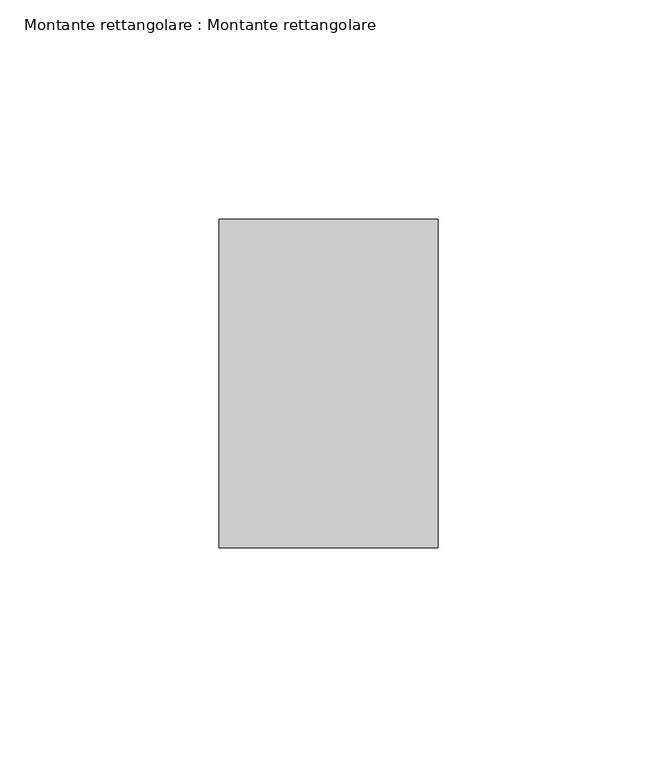
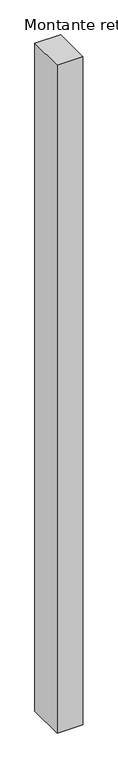
"""IFC4 building model written with IfcOpenShell, lengths in millimetres: member geometry, Montante rettangolare : Montante rettangolare."""

import ifcopenshell
import ifcopenshell.guid

model = None  # the IFC model being written
_history = None  # IfcOwnerHistory: only IFC2X3 demands one
_inside = {}  # id of a spatial element -> (the spatial element, [elements in it])
_under = {}  # id of a project, library or spatial element -> (it, [spatial elements below it])
_declared = {}  # id of a project -> (the project, [libraries it declares])
_typed = {}  # id of a type object -> (the type object, [elements of that type])
_made_of = {}  # id of a material, layer set ... -> (it, [elements and type objects made of it])


def new_model(schema):
    """Start an empty IFC model of exactly this schema.

    Asked for "IFC4X3", IfcOpenShell would pick the latest addendum, in which some entities
    have other attributes; the version numbers below select the first issue.
    IFC2X3 requires an IfcOwnerHistory on every rooted entity: one is made here for all.
    """
    global model, _history
    if schema == "IFC4X3":
        model = ifcopenshell.file(schema_version=(4, 3, 0, 0))
    else:
        model = ifcopenshell.file(schema=schema)
    _inside.clear()
    _under.clear()
    _declared.clear()
    _typed.clear()
    _made_of.clear()
    _history = None
    if model.schema == "IFC2X3":
        org = make("IfcOrganization", Name="unknown")
        user = make(
            "IfcPersonAndOrganization",
            ThePerson=make("IfcPerson", FamilyName="unknown"),
            TheOrganization=org,
        )
        app = make(
            "IfcApplication",
            ApplicationDeveloper=org,
            Version="unknown",
            ApplicationFullName="unknown",
            ApplicationIdentifier="unknown",
        )
        _history = make(
            "IfcOwnerHistory",
            OwningUser=user,
            OwningApplication=app,
            ChangeAction="ADDED",
            CreationDate=0,
        )
    return model


def make(cls, **values):
    """One entity of the class cls with the attributes given. An attribute that is None is left unset."""
    return model.create_entity(
        cls, **{name: value for name, value in values.items() if value is not None}
    )


def rooted(cls, **values):
    """An entity with a GlobalId (a new one), such as an element, a storey or a relation."""
    return make(cls, GlobalId=ifcopenshell.guid.new(), OwnerHistory=_history, **values)


def si_unit(unit_type, name, prefix=None):
    """IfcSIUnit, for example si_unit("LENGTHUNIT", "METRE", prefix="MILLI")."""
    return make("IfcSIUnit", UnitType=unit_type, Prefix=prefix, Name=name)


def assignment(units):
    """IfcUnitAssignment: the units of a project."""
    return None if units is None else make("IfcUnitAssignment", Units=units)


def point(xyz):
    """IfcCartesianPoint."""
    return None if xyz is None else make("IfcCartesianPoint", Coordinates=xyz)


def direction(xyz):
    """IfcDirection."""
    return None if xyz is None else make("IfcDirection", DirectionRatios=xyz)


def frame(location, z_axis=None, x_axis=None):
    """IfcAxis2Placement3D, a coordinate frame: its origin and axes. An axis left out is left unset."""
    return make(
        "IfcAxis2Placement3D",
        Location=point(location),
        Axis=direction(z_axis),
        RefDirection=direction(x_axis),
    )


def origin():
    """The frame at (0, 0, 0) with its axes left unset."""
    return frame((0.0, 0.0, 0.0))


def place(relative_to, where):
    """IfcLocalPlacement: puts the frame where relative to a parent placement (None: the world)."""
    return make(
        "IfcLocalPlacement", PlacementRelTo=relative_to, RelativePlacement=where
    )


def context(
    kind, dimensions, precision=None, world=None, true_north=None, identifier=None
):
    """IfcGeometricRepresentationContext, for example the 3D "Model" context."""
    return make(
        "IfcGeometricRepresentationContext",
        ContextIdentifier=identifier,
        ContextType=kind,
        CoordinateSpaceDimension=dimensions,
        Precision=precision,
        WorldCoordinateSystem=world,
        TrueNorth=true_north,
    )


def project(units=None, contexts=None):
    """IfcProject with its units and contexts."""
    return rooted(
        "IfcProject",
        Name="project",
        RepresentationContexts=contexts,
        UnitsInContext=assignment(units),
    )


def spatial(cls, under=None, at=None, **own):
    """A site, building, storey or space (cls), placed at a placement, below another one or the project."""
    s = rooted(cls, ObjectPlacement=at, **own)
    if under is not None:
        _under.setdefault(under.id(), (under, []))[1].append(s)
    return s


def polyline(points):
    """IfcPolyline through the points."""
    return make("IfcPolyline", Points=[point(p) for p in points])


def outline(outer, holes=None, kind="AREA"):
    """IfcArbitraryClosedProfileDef: a profile drawn as a closed curve; with holes, ...WithVoids."""
    if holes is None:
        return make("IfcArbitraryClosedProfileDef", ProfileType=kind, OuterCurve=outer)
    return make(
        "IfcArbitraryProfileDefWithVoids",
        ProfileType=kind,
        OuterCurve=outer,
        InnerCurves=holes,
    )


def extrude(swept, where, along, depth):
    """IfcExtrudedAreaSolid: the profile swept, set in the frame where, extruded along a direction by depth."""
    return make(
        "IfcExtrudedAreaSolid",
        SweptArea=swept,
        Position=where,
        ExtrudedDirection=direction(along),
        Depth=depth,
    )


def shape(context_of_items, identifier, shape_type, items):
    """IfcShapeRepresentation: the items that make up one representation, for example the "Body"."""
    return make(
        "IfcShapeRepresentation",
        ContextOfItems=context_of_items,
        RepresentationIdentifier=identifier,
        RepresentationType=shape_type,
        Items=items,
    )


def source(mapping_origin, context_of_items, identifier, shape_type, items):
    """IfcRepresentationMap: a shape defined once, which mapped items show again and again."""
    return make(
        "IfcRepresentationMap",
        MappingOrigin=mapping_origin,
        MappedRepresentation=shape(context_of_items, identifier, shape_type, items),
    )


def transform(
    local_origin,
    x_axis=None,
    y_axis=None,
    z_axis=None,
    scale=None,
    scale2=None,
    scale3=None,
    uniform=True,
):
    """IfcCartesianTransformationOperator3D, or its non-uniform kind. x_axis, y_axis, z_axis: its Axis1, 2, 3."""
    if uniform:
        return make(
            "IfcCartesianTransformationOperator3D",
            Axis1=direction(x_axis),
            Axis2=direction(y_axis),
            LocalOrigin=point(local_origin),
            Scale=scale,
            Axis3=direction(z_axis),
        )
    return make(
        "IfcCartesianTransformationOperator3DnonUniform",
        Axis1=direction(x_axis),
        Axis2=direction(y_axis),
        LocalOrigin=point(local_origin),
        Scale=scale,
        Axis3=direction(z_axis),
        Scale2=scale2,
        Scale3=scale3,
    )


def mapped(mapping_source, mapping_target):
    """IfcMappedItem: shows the shape of a source again, moved by a transform."""
    return make(
        "IfcMappedItem", MappingSource=mapping_source, MappingTarget=mapping_target
    )


def made_of(thing, what):
    """Note that an element or type object is made of a material, layer set ...; save() writes the relation."""
    if what is not None:
        _made_of.setdefault(what.id(), (what, []))[1].append(thing)
    return thing


def element(
    cls,
    number,
    at=None,
    inside=None,
    cuts=None,
    type_object=None,
    material=None,
    context=None,
    identifier="Body",
    shape_type=None,
    held_by="IfcProductDefinitionShape",
    body=None,
    shapes=None,
    **own,
):
    """One element of the class cls, such as IfcWall. Its Tag is "e" and its number.

    at: its placement. inside: the storey or other place that contains it. cuts: it is an
    opening in that element (IfcRelVoidsElement). A single representation is given by context,
    identifier, shape_type and body (its items); several are given by shapes. held_by: the class
    of the entity that holds the representations. save() writes the other relations.
    """
    e = rooted(cls, Tag="e%d" % number, ObjectPlacement=at, **own)
    if body is not None:
        shapes = [shape(context, identifier, shape_type, body)]
    if shapes is not None:
        e.Representation = make(held_by, Representations=shapes)
    if inside is not None:
        _inside.setdefault(inside.id(), (inside, []))[1].append(e)
    if cuts is not None:
        rooted(
            "IfcRelVoidsElement", RelatingBuildingElement=cuts, RelatedOpeningElement=e
        )
    if type_object is not None:
        _typed.setdefault(type_object.id(), (type_object, []))[1].append(e)
    return made_of(e, material)


def aggregate(whole, parts):
    """IfcRelAggregates: a whole, such as a stair, and the parts it consists of."""
    return rooted("IfcRelAggregates", RelatingObject=whole, RelatedObjects=parts)


def save(model, path):
    """Write the relations noted so far, then the file.

    IfcRelAggregates (storeys below a building ...), IfcRelContainedInSpatialStructure (elements
    in a storey), IfcRelDefinesByType, IfcRelAssociatesMaterial and IfcRelDeclares: one each for
    every whole, place, type object, material and project.
    """
    for whole, parts in _under.values():
        aggregate(whole, parts)
    for where, things in _inside.values():
        rooted(
            "IfcRelContainedInSpatialStructure",
            RelatedElements=things,
            RelatingStructure=where,
        )
    for kind, things in _typed.values():
        rooted("IfcRelDefinesByType", RelatedObjects=things, RelatingType=kind)
    for what, things in _made_of.values():
        rooted("IfcRelAssociatesMaterial", RelatedObjects=things, RelatingMaterial=what)
    for by, libraries in _declared.values():
        rooted("IfcRelDeclares", RelatingContext=by, RelatedDefinitions=libraries)
    model.write(path)


def montante_rettangolare_montante_rettangolare_5792eb50(model_context):
    return source(origin(), model_context, "Body", "SweptSolid", [
        extrude(outline(polyline([(25.0, 37.5), (25.0, -37.5), (-25.0, -37.5), (-25.0, 37.5), (25.0, 37.5)])), frame((0.0, 0.0, -1375.0), z_axis=(0.0, 0.0, 1.0), x_axis=(1.0, 0.0, 0.0)), (0.0, 0.0, 1.0), 1375.0),
    ])


if __name__ == "__main__":
    model = new_model("IFC4")
    model_context = context("Model", 3, world=origin())
    ifc_project = project(units=[si_unit("LENGTHUNIT", "METRE", prefix="MILLI")], contexts=[model_context])
    site = spatial("IfcSite", under=ifc_project)
    building = spatial("IfcBuilding", under=site)
    placement = place(None, origin())
    montante_rettangolare_montante_rettangolare_shape = montante_rettangolare_montante_rettangolare_5792eb50(model_context)
    element("IfcMember", 1, ObjectType="Montante rettangolare : Montante rettangolare", at=placement, inside=building, context=model_context, shape_type="MappedRepresentation", body=[
        mapped(montante_rettangolare_montante_rettangolare_shape, transform((0.0, 0.0, 0.0), x_axis=(1.0, 0.0, 0.0), y_axis=(0.0, 1.0, 0.0), z_axis=(0.0, 0.0, 1.0))),
    ])
    save(model, "model.ifc")
